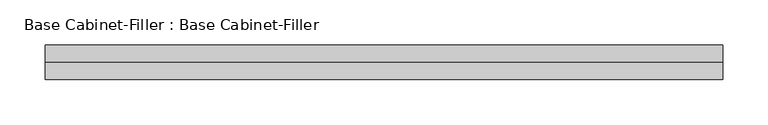
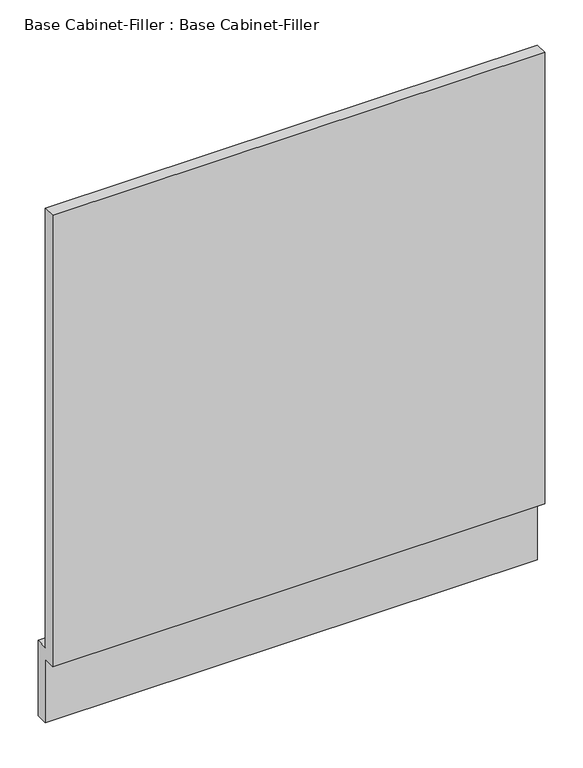
"""IFC4 building model written with IfcOpenShell, lengths in millimetres: furniture geometry, Base Cabinet-Filler : Base Cabinet-Filler."""

from ifc_helpers import new_model, si_unit, frame, origin, place, context, project, spatial, polyline, outline, extrude, source, transform, mapped, element, save


def base_cabinet_filler_base_cabinet_filler_36c65ca6(model_context):
    return source(origin(), model_context, "Body", "SweptSolid", [
        extrude(outline(polyline([(-590.55, 101.6), (-590.55, 825.5), (-571.5, 825.5), (-571.5, 120.65), (-552.45, 120.65), (-552.45, 0.0), (-571.5, 0.0), (-571.5, 101.6), (-590.55, 101.6)])), frame((-354.6786552, 0.0, 0.0), z_axis=(1.0, 0.0, 0.0), x_axis=(0.0, 1.0, 0.0)), (0.0, 0.0, 1.0), 746.8327202),
    ])


if __name__ == "__main__":
    model = new_model("IFC4")
    model_context = context("Model", 3, world=origin())
    ifc_project = project(units=[si_unit("LENGTHUNIT", "METRE", prefix="MILLI")], contexts=[model_context])
    site = spatial("IfcSite", under=ifc_project)
    building = spatial("IfcBuilding", under=site)
    placement = place(None, origin())
    base_cabinet_filler_base_cabinet_filler_shape = base_cabinet_filler_base_cabinet_filler_36c65ca6(model_context)
    element("IfcFurniture", 1, ObjectType="Base Cabinet-Filler : Base Cabinet-Filler", at=placement, inside=building, context=model_context, shape_type="MappedRepresentation", body=[
        mapped(base_cabinet_filler_base_cabinet_filler_shape, transform((0.0, 0.0, 0.0), x_axis=(1.0, 0.0, 0.0), y_axis=(0.0, 1.0, 0.0), z_axis=(0.0, 0.0, 1.0))),
    ])
    save(model, "model.ifc")
